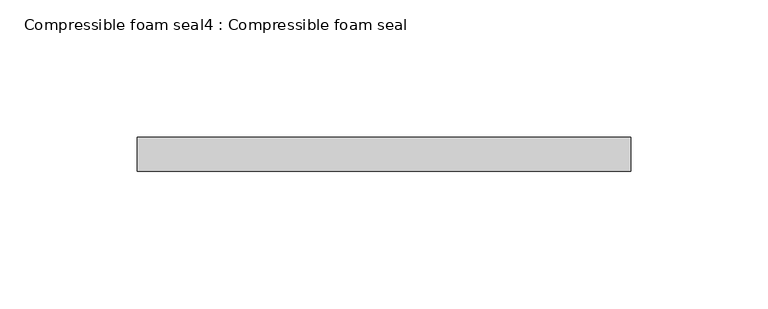
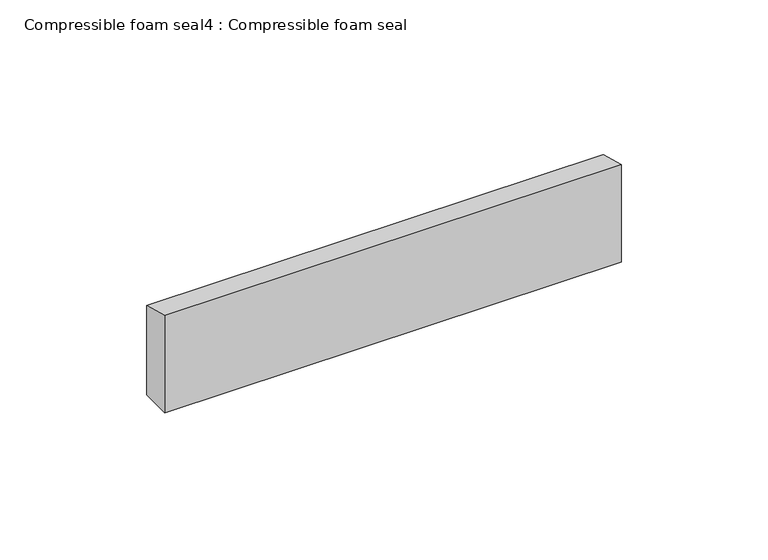
"""IFC4 building model written with IfcOpenShell, lengths in millimetres: proxy geometry, Compressible foam seal4 : Compressible foam seal."""

from ifc_helpers import new_model, si_unit, frame, origin, place, context, project, spatial, polyline, outline, extrude, source, transform, mapped, element, save


def compressible_foam_seal4_compressible_foam_seal_1dca0490(model_context):
    return source(origin(), model_context, "Body", "SweptSolid", [
        extrude(outline(polyline([(10659.8333305, -343.5448265), (10672.2344915, -346.8677076), (10672.2344915, -384.0410003), (10659.8333305, -384.0410003), (10659.8333305, -343.5448265)])), frame((17312.8302563, 0.0, 0.0), z_axis=(1.0, 0.0, 0.0), x_axis=(0.0, 1.0, 0.0)), (0.0, 0.0, 1.0), 179.5239223),
    ])


if __name__ == "__main__":
    model = new_model("IFC4")
    model_context = context("Model", 3, world=origin())
    ifc_project = project(units=[si_unit("LENGTHUNIT", "METRE", prefix="MILLI")], contexts=[model_context])
    site = spatial("IfcSite", under=ifc_project)
    building = spatial("IfcBuilding", under=site)
    placement = place(None, origin())
    compressible_foam_seal4_compressible_foam_seal_shape = compressible_foam_seal4_compressible_foam_seal_1dca0490(model_context)
    element("IfcBuildingElementProxy", 1, Name="Compressible foam seal4 : Compressible foam seal", ObjectType="Compressible foam seal4 : Compressible foam seal", at=placement, inside=building, context=model_context, shape_type="MappedRepresentation", body=[
        mapped(compressible_foam_seal4_compressible_foam_seal_shape, transform((0.0, 0.0, 0.0), x_axis=(1.0, 0.0, 0.0), y_axis=(0.0, 1.0, 0.0), z_axis=(0.0, 0.0, 1.0))),
    ])
    save(model, "model.ifc")
